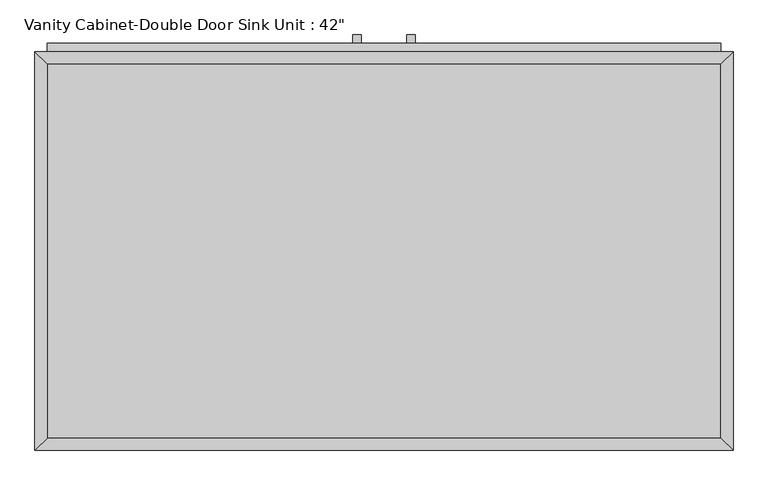
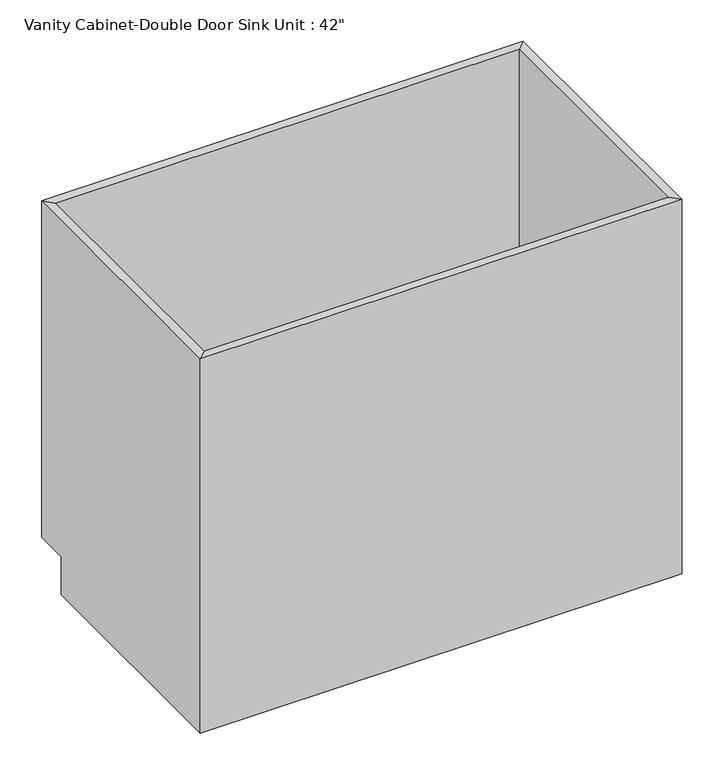
"""IFC4 building model written with IfcOpenShell, lengths in millimetres: furniture geometry."""

from ifc_helpers import new_model, si_unit, frame, origin, place, context, project, spatial, polyline, outline, extrude, faceted_brep, source, transform, mapped, element, save


def furniture_a2557d69(model_context):
    return source(origin(), model_context, "Body", "SolidModel", [
        faceted_brep([(533.0877049, 590.55, 876.3), (-495.6122951, 590.55, 876.3), (-495.6122951, 590.55, 88.9), (533.0877049, 590.55, 88.9), (552.1377049, 609.6, 876.3), (-514.6622951, 609.6, 876.3), (552.1377049, 609.6, 88.9), (-514.6622951, 609.6, 88.9), (-495.6122951, 19.05, 876.3), (-495.6122951, 19.05, 88.9), (-495.6122951, 533.4, 88.9), (-514.6622951, 0.0, 876.3), (-514.6622951, 533.4, 88.9), (-514.6622951, 533.4, 0.0), (-514.6622951, 0.0, 0.0), (533.0877049, 19.05, 876.3), (533.0877049, 19.05, 88.9), (552.1377049, 0.0, 876.3), (552.1377049, 0.0, 0.0), (533.0877049, 533.4, 88.9), (552.1377049, 533.4, 0.0), (552.1377049, 533.4, 88.9)], [[[0, 1, 2, 3]], [[0, 4, 5, 1]], [[4, 6, 7, 5]], [[2, 7, 6, 3]], [[1, 8, 9, 10, 2]], [[5, 11, 8, 1]], [[7, 12, 13, 14, 11, 5]], [[2, 10, 12, 7]], [[8, 15, 16, 9]], [[11, 17, 15, 8]], [[14, 18, 17, 11]], [[3, 19, 16, 15, 0]], [[0, 15, 17, 4]], [[4, 17, 18, 20, 21, 6]], [[6, 21, 19, 3]], [[10, 9, 16, 19]], [[18, 14, 13, 20]], [[13, 12, 10, 19, 21, 20]]]),
        extrude(outline(polyline([(-16.1872951, 635.0), (-16.1872951, 622.3), (-28.8872951, 622.3), (-28.8872951, 635.0), (-16.1872951, 635.0)])), frame((0.0, 0.0, 573.769895), z_axis=(0.0, 0.0, 1.0), x_axis=(1.0, 0.0, 0.0)), (0.0, 0.0, 1.0), 124.730105),
        extrude(outline(polyline([(66.3627049, 635.0), (66.3627049, 622.3), (53.6627049, 622.3), (53.6627049, 635.0), (66.3627049, 635.0)])), frame((0.0, 0.0, 573.769895), z_axis=(0.0, 0.0, 1.0), x_axis=(1.0, 0.0, 0.0)), (0.0, 0.0, 1.0), 124.730105),
        extrude(outline(polyline([(533.0877049, 19.05), (-495.6122951, 19.05), (-495.6122951, 590.55), (533.0877049, 590.55), (533.0877049, 19.05)])), frame((0.0, 0.0, 88.9), z_axis=(0.0, 0.0, 1.0), x_axis=(1.0, 0.0, 0.0)), (0.0, 0.0, 1.0), 19.05),
        extrude(outline(polyline([(9.2127049, 622.3), (9.2127049, 609.6), (-495.6122951, 609.6), (-495.6122951, 622.3), (9.2127049, 622.3)])), frame((0.0, 0.0, 107.95), z_axis=(0.0, 0.0, 1.0), x_axis=(1.0, 0.0, 0.0)), (0.0, 0.0, 1.0), 628.65),
        extrude(outline(polyline([(533.0877049, 622.3), (533.0877049, 609.6), (28.2627049, 609.6), (28.2627049, 622.3), (533.0877049, 622.3)])), frame((0.0, 0.0, 107.95), z_axis=(0.0, 0.0, 1.0), x_axis=(1.0, 0.0, 0.0)), (0.0, 0.0, 1.0), 628.65),
        extrude(outline(polyline([(533.0877049, 622.3), (533.0877049, 609.6), (-495.6122951, 609.6), (-495.6122951, 622.3), (533.0877049, 622.3)])), frame((0.0, 0.0, 755.65), z_axis=(0.0, 0.0, 1.0), x_axis=(1.0, 0.0, 0.0)), (0.0, 0.0, 1.0), 101.6),
    ])


if __name__ == "__main__":
    model = new_model("IFC4")
    model_context = context("Model", 3, world=origin())
    ifc_project = project(units=[si_unit("LENGTHUNIT", "METRE", prefix="MILLI")], contexts=[model_context])
    site = spatial("IfcSite", under=ifc_project)
    building = spatial("IfcBuilding", under=site)
    placement = place(None, origin())
    furniture_shape = furniture_a2557d69(model_context)
    element("IfcFurniture", 1, ObjectType="Vanity Cabinet-Double Door Sink Unit : 42\"", at=placement, inside=building, context=model_context, shape_type="MappedRepresentation", body=[
        mapped(furniture_shape, transform((0.0, 0.0, 0.0), x_axis=(1.0, 0.0, 0.0), y_axis=(0.0, 1.0, 0.0), z_axis=(0.0, 0.0, 1.0))),
    ])
    save(model, "model.ifc")
